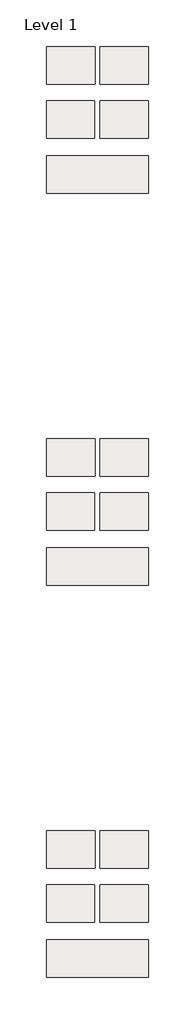
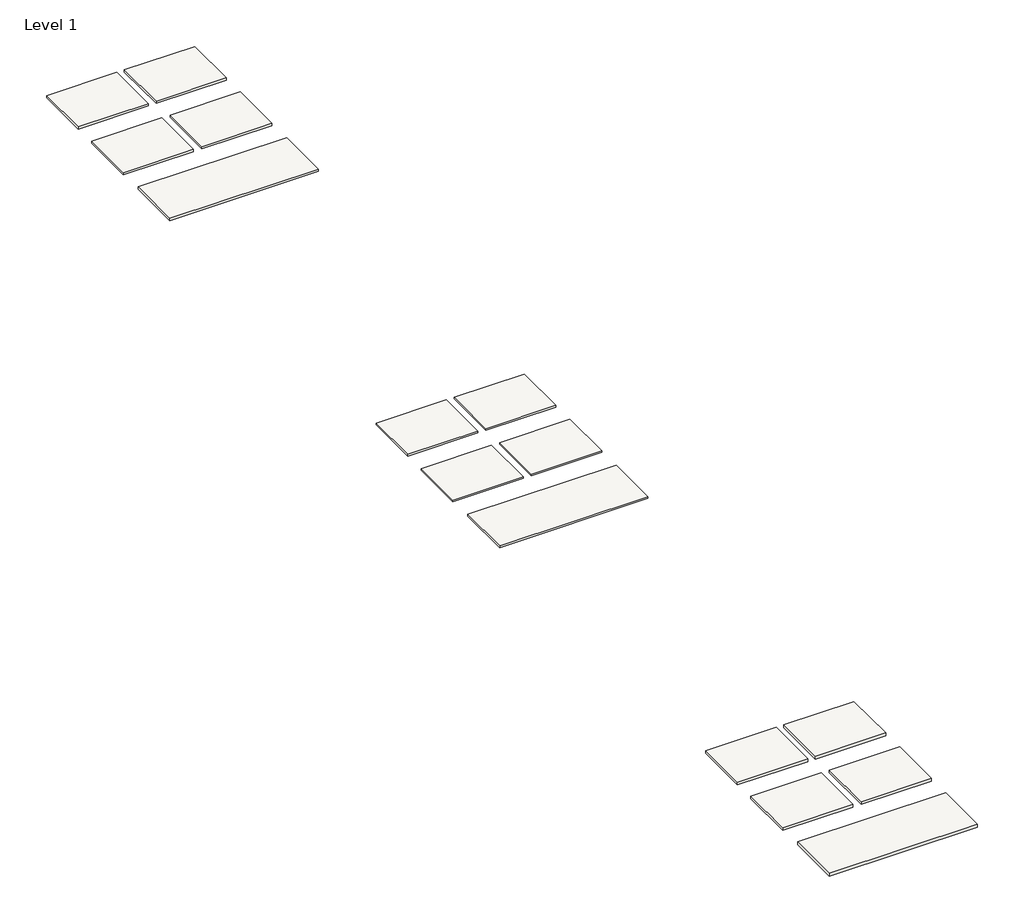
# One storey: 15 slabs.
"""IFC4 building model written with IfcOpenShell, lengths in millimetres."""

import ifcopenshell
import ifcopenshell.guid

model = None  # the IFC model being written
_history = None  # IfcOwnerHistory: only IFC2X3 demands one
_inside = {}  # id of a spatial element -> (the spatial element, [elements in it])
_under = {}  # id of a project, library or spatial element -> (it, [spatial elements below it])
_declared = {}  # id of a project -> (the project, [libraries it declares])
_typed = {}  # id of a type object -> (the type object, [elements of that type])
_made_of = {}  # id of a material, layer set ... -> (it, [elements and type objects made of it])


def new_model(schema):
    """Start an empty IFC model of exactly this schema.

    Asked for "IFC4X3", IfcOpenShell would pick the latest addendum, in which some entities
    have other attributes; the version numbers below select the first issue.
    IFC2X3 requires an IfcOwnerHistory on every rooted entity: one is made here for all.
    """
    global model, _history
    if schema == "IFC4X3":
        model = ifcopenshell.file(schema_version=(4, 3, 0, 0))
    else:
        model = ifcopenshell.file(schema=schema)
    _inside.clear()
    _under.clear()
    _declared.clear()
    _typed.clear()
    _made_of.clear()
    _history = None
    if model.schema == "IFC2X3":
        org = make("IfcOrganization", Name="unknown")
        user = make(
            "IfcPersonAndOrganization",
            ThePerson=make("IfcPerson", FamilyName="unknown"),
            TheOrganization=org,
        )
        app = make(
            "IfcApplication",
            ApplicationDeveloper=org,
            Version="unknown",
            ApplicationFullName="unknown",
            ApplicationIdentifier="unknown",
        )
        _history = make(
            "IfcOwnerHistory",
            OwningUser=user,
            OwningApplication=app,
            ChangeAction="ADDED",
            CreationDate=0,
        )
    return model


def make(cls, **values):
    """One entity of the class cls with the attributes given. An attribute that is None is left unset."""
    return model.create_entity(
        cls, **{name: value for name, value in values.items() if value is not None}
    )


def rooted(cls, **values):
    """An entity with a GlobalId (a new one), such as an element, a storey or a relation."""
    return make(cls, GlobalId=ifcopenshell.guid.new(), OwnerHistory=_history, **values)


def si_unit(unit_type, name, prefix=None):
    """IfcSIUnit, for example si_unit("LENGTHUNIT", "METRE", prefix="MILLI")."""
    return make("IfcSIUnit", UnitType=unit_type, Prefix=prefix, Name=name)


def assignment(units):
    """IfcUnitAssignment: the units of a project."""
    return None if units is None else make("IfcUnitAssignment", Units=units)


def point(xyz):
    """IfcCartesianPoint."""
    return None if xyz is None else make("IfcCartesianPoint", Coordinates=xyz)


def direction(xyz):
    """IfcDirection."""
    return None if xyz is None else make("IfcDirection", DirectionRatios=xyz)


def frame(location, z_axis=None, x_axis=None):
    """IfcAxis2Placement3D, a coordinate frame: its origin and axes. An axis left out is left unset."""
    return make(
        "IfcAxis2Placement3D",
        Location=point(location),
        Axis=direction(z_axis),
        RefDirection=direction(x_axis),
    )


def origin():
    """The frame at (0, 0, 0) with its axes left unset."""
    return frame((0.0, 0.0, 0.0))


def place(relative_to, where):
    """IfcLocalPlacement: puts the frame where relative to a parent placement (None: the world)."""
    return make(
        "IfcLocalPlacement", PlacementRelTo=relative_to, RelativePlacement=where
    )


def context(
    kind, dimensions, precision=None, world=None, true_north=None, identifier=None
):
    """IfcGeometricRepresentationContext, for example the 3D "Model" context."""
    return make(
        "IfcGeometricRepresentationContext",
        ContextIdentifier=identifier,
        ContextType=kind,
        CoordinateSpaceDimension=dimensions,
        Precision=precision,
        WorldCoordinateSystem=world,
        TrueNorth=true_north,
    )


def project(units=None, contexts=None):
    """IfcProject with its units and contexts."""
    return rooted(
        "IfcProject",
        Name="project",
        RepresentationContexts=contexts,
        UnitsInContext=assignment(units),
    )


def spatial(cls, under=None, at=None, **own):
    """A site, building, storey or space (cls), placed at a placement, below another one or the project."""
    s = rooted(cls, ObjectPlacement=at, **own)
    if under is not None:
        _under.setdefault(under.id(), (under, []))[1].append(s)
    return s


def polyline(points):
    """IfcPolyline through the points."""
    return make("IfcPolyline", Points=[point(p) for p in points])


def outline(outer, holes=None, kind="AREA"):
    """IfcArbitraryClosedProfileDef: a profile drawn as a closed curve; with holes, ...WithVoids."""
    if holes is None:
        return make("IfcArbitraryClosedProfileDef", ProfileType=kind, OuterCurve=outer)
    return make(
        "IfcArbitraryProfileDefWithVoids",
        ProfileType=kind,
        OuterCurve=outer,
        InnerCurves=holes,
    )


def extrude(swept, where, along, depth):
    """IfcExtrudedAreaSolid: the profile swept, set in the frame where, extruded along a direction by depth."""
    return make(
        "IfcExtrudedAreaSolid",
        SweptArea=swept,
        Position=where,
        ExtrudedDirection=direction(along),
        Depth=depth,
    )


def shape(context_of_items, identifier, shape_type, items):
    """IfcShapeRepresentation: the items that make up one representation, for example the "Body"."""
    return make(
        "IfcShapeRepresentation",
        ContextOfItems=context_of_items,
        RepresentationIdentifier=identifier,
        RepresentationType=shape_type,
        Items=items,
    )


def made_of(thing, what):
    """Note that an element or type object is made of a material, layer set ...; save() writes the relation."""
    if what is not None:
        _made_of.setdefault(what.id(), (what, []))[1].append(thing)
    return thing


def element(
    cls,
    number,
    at=None,
    inside=None,
    cuts=None,
    type_object=None,
    material=None,
    context=None,
    identifier="Body",
    shape_type=None,
    held_by="IfcProductDefinitionShape",
    body=None,
    shapes=None,
    **own,
):
    """One element of the class cls, such as IfcWall. Its Tag is "e" and its number.

    at: its placement. inside: the storey or other place that contains it. cuts: it is an
    opening in that element (IfcRelVoidsElement). A single representation is given by context,
    identifier, shape_type and body (its items); several are given by shapes. held_by: the class
    of the entity that holds the representations. save() writes the other relations.
    """
    e = rooted(cls, Tag="e%d" % number, ObjectPlacement=at, **own)
    if body is not None:
        shapes = [shape(context, identifier, shape_type, body)]
    if shapes is not None:
        e.Representation = make(held_by, Representations=shapes)
    if inside is not None:
        _inside.setdefault(inside.id(), (inside, []))[1].append(e)
    if cuts is not None:
        rooted(
            "IfcRelVoidsElement", RelatingBuildingElement=cuts, RelatedOpeningElement=e
        )
    if type_object is not None:
        _typed.setdefault(type_object.id(), (type_object, []))[1].append(e)
    return made_of(e, material)


def aggregate(whole, parts):
    """IfcRelAggregates: a whole, such as a stair, and the parts it consists of."""
    return rooted("IfcRelAggregates", RelatingObject=whole, RelatedObjects=parts)


def save(model, path):
    """Write the relations noted so far, then the file.

    IfcRelAggregates (storeys below a building ...), IfcRelContainedInSpatialStructure (elements
    in a storey), IfcRelDefinesByType, IfcRelAssociatesMaterial and IfcRelDeclares: one each for
    every whole, place, type object, material and project.
    """
    for whole, parts in _under.values():
        aggregate(whole, parts)
    for where, things in _inside.values():
        rooted(
            "IfcRelContainedInSpatialStructure",
            RelatedElements=things,
            RelatingStructure=where,
        )
    for kind, things in _typed.values():
        rooted("IfcRelDefinesByType", RelatedObjects=things, RelatingType=kind)
    for what, things in _made_of.values():
        rooted("IfcRelAssociatesMaterial", RelatedObjects=things, RelatingMaterial=what)
    for by, libraries in _declared.values():
        rooted("IfcRelDeclares", RelatingContext=by, RelatedDefinitions=libraries)
    model.write(path)


model = new_model("IFC4")

# Units and contexts
model_context = context("Model", 3, world=origin())
ifc_project = project(units=[si_unit("LENGTHUNIT", "METRE", prefix="MILLI")], contexts=[model_context])

# Site, building, storey
site = spatial("IfcSite", under=ifc_project)
building = spatial("IfcBuilding", under=site)
storey = spatial("IfcBuildingStorey", under=building, Name="Level 1", Elevation=0.0)

# Slabs
placement = place(None, origin())
element("IfcSlab", 1, at=placement, inside=storey, context=model_context, shape_type="SweptSolid", body=[
    extrude(outline(polyline([(-33596.1809993, 9289.154028), (-33596.1809993, 8997.054028), (-33970.8309993, 8997.054028), (-33970.8309993, 9289.154028), (-33596.1809993, 9289.154028)])), frame((0.0, 0.0, -9.525), z_axis=(0.0, 0.0, 1.0), x_axis=(1.0, 0.0, 0.0)), (0.0, 0.0, 1.0), 9.525),
])
element("IfcSlab", 2, at=placement, inside=storey, context=model_context, shape_type="SweptSolid", body=[
    extrude(outline(polyline([(-33180.2559993, 9289.154028), (-33180.2559993, 8997.054028), (-33554.9059993, 8997.054028), (-33554.9059993, 9289.154028), (-33180.2559993, 9289.154028)])), frame((0.0, 0.0, -9.525), z_axis=(0.0, 0.0, 1.0), x_axis=(1.0, 0.0, 0.0)), (0.0, 0.0, 1.0), 9.525),
])
element("IfcSlab", 3, at=placement, inside=storey, context=model_context, shape_type="SweptSolid", body=[
    extrude(outline(polyline([(-33599.2395833, 8867.1830679), (-33599.2395833, 8575.0830679), (-33973.8895833, 8575.0830679), (-33973.8895833, 8867.1830679), (-33599.2395833, 8867.1830679)])), frame((0.0, 0.0, -9.525), z_axis=(0.0, 0.0, 1.0), x_axis=(1.0, 0.0, 0.0)), (0.0, 0.0, 1.0), 9.525),
])
element("IfcSlab", 4, at=placement, inside=storey, context=model_context, shape_type="SweptSolid", body=[
    extrude(outline(polyline([(-33180.1395833, 8867.1830679), (-33180.1395833, 8575.0830679), (-33554.7895833, 8575.0830679), (-33554.7895833, 8867.1830679), (-33180.1395833, 8867.1830679)])), frame((0.0, 0.0, -9.525), z_axis=(0.0, 0.0, 1.0), x_axis=(1.0, 0.0, 0.0)), (0.0, 0.0, 1.0), 9.525),
])
element("IfcSlab", 5, at=placement, inside=storey, context=model_context, shape_type="SweptSolid", body=[
    extrude(outline(polyline([(-33180.3247403, 8439.5619823), (-33180.3247403, 8147.4619823), (-33971.7205072, 8147.4619823), (-33971.7205072, 8439.5619823), (-33180.3247403, 8439.5619823)])), frame((0.0, 0.0, -9.525), z_axis=(0.0, 0.0, 1.0), x_axis=(1.0, 0.0, 0.0)), (0.0, 0.0, 1.0), 9.525),
])
element("IfcSlab", 6, at=placement, inside=storey, context=model_context, shape_type="SweptSolid", body=[
    extrude(outline(polyline([(-33596.1809993, 6241.154028), (-33596.1809993, 5949.054028), (-33970.8309993, 5949.054028), (-33970.8309993, 6241.154028), (-33596.1809993, 6241.154028)])), frame((0.0, 0.0, -15.875), z_axis=(0.0, 0.0, 1.0), x_axis=(1.0, 0.0, 0.0)), (0.0, 0.0, 1.0), 15.875),
])
element("IfcSlab", 7, at=placement, inside=storey, context=model_context, shape_type="SweptSolid", body=[
    extrude(outline(polyline([(-33180.2559993, 6241.154028), (-33180.2559993, 5949.054028), (-33554.9059993, 5949.054028), (-33554.9059993, 6241.154028), (-33180.2559993, 6241.154028)])), frame((0.0, 0.0, -15.875), z_axis=(0.0, 0.0, 1.0), x_axis=(1.0, 0.0, 0.0)), (0.0, 0.0, 1.0), 15.875),
])
element("IfcSlab", 8, at=placement, inside=storey, context=model_context, shape_type="SweptSolid", body=[
    extrude(outline(polyline([(-33599.2395833, 5819.1830679), (-33599.2395833, 5527.0830679), (-33973.8895833, 5527.0830679), (-33973.8895833, 5819.1830679), (-33599.2395833, 5819.1830679)])), frame((0.0, 0.0, -15.875), z_axis=(0.0, 0.0, 1.0), x_axis=(1.0, 0.0, 0.0)), (0.0, 0.0, 1.0), 15.875),
])
element("IfcSlab", 9, at=placement, inside=storey, context=model_context, shape_type="SweptSolid", body=[
    extrude(outline(polyline([(-33180.1395833, 5819.1830679), (-33180.1395833, 5527.0830679), (-33554.7895833, 5527.0830679), (-33554.7895833, 5819.1830679), (-33180.1395833, 5819.1830679)])), frame((0.0, 0.0, -15.875), z_axis=(0.0, 0.0, 1.0), x_axis=(1.0, 0.0, 0.0)), (0.0, 0.0, 1.0), 15.875),
])
element("IfcSlab", 10, at=placement, inside=storey, context=model_context, shape_type="SweptSolid", body=[
    extrude(outline(polyline([(-33180.3247403, 5391.5619823), (-33180.3247403, 5099.4619823), (-33971.7205072, 5099.4619823), (-33971.7205072, 5391.5619823), (-33180.3247403, 5391.5619823)])), frame((0.0, 0.0, -15.875), z_axis=(0.0, 0.0, 1.0), x_axis=(1.0, 0.0, 0.0)), (0.0, 0.0, 1.0), 15.875),
])
element("IfcSlab", 11, at=placement, inside=storey, context=model_context, shape_type="SweptSolid", body=[
    extrude(outline(polyline([(-33596.1809993, 12337.154028), (-33596.1809993, 12045.054028), (-33970.8309993, 12045.054028), (-33970.8309993, 12337.154028), (-33596.1809993, 12337.154028)])), frame((0.0, 0.0, -12.7), z_axis=(0.0, 0.0, 1.0), x_axis=(1.0, 0.0, 0.0)), (0.0, 0.0, 1.0), 12.7),
])
element("IfcSlab", 12, at=placement, inside=storey, context=model_context, shape_type="SweptSolid", body=[
    extrude(outline(polyline([(-33180.2559993, 12337.154028), (-33180.2559993, 12045.054028), (-33554.9059993, 12045.054028), (-33554.9059993, 12337.154028), (-33180.2559993, 12337.154028)])), frame((0.0, 0.0, -12.7), z_axis=(0.0, 0.0, 1.0), x_axis=(1.0, 0.0, 0.0)), (0.0, 0.0, 1.0), 12.7),
])
element("IfcSlab", 13, at=placement, inside=storey, context=model_context, shape_type="SweptSolid", body=[
    extrude(outline(polyline([(-33599.2395833, 11915.1830679), (-33599.2395833, 11623.0830679), (-33973.8895833, 11623.0830679), (-33973.8895833, 11915.1830679), (-33599.2395833, 11915.1830679)])), frame((0.0, 0.0, -12.7), z_axis=(0.0, 0.0, 1.0), x_axis=(1.0, 0.0, 0.0)), (0.0, 0.0, 1.0), 12.7),
])
element("IfcSlab", 14, at=placement, inside=storey, context=model_context, shape_type="SweptSolid", body=[
    extrude(outline(polyline([(-33180.1395833, 11915.1830679), (-33180.1395833, 11623.0830679), (-33554.7895833, 11623.0830679), (-33554.7895833, 11915.1830679), (-33180.1395833, 11915.1830679)])), frame((0.0, 0.0, -12.7), z_axis=(0.0, 0.0, 1.0), x_axis=(1.0, 0.0, 0.0)), (0.0, 0.0, 1.0), 12.7),
])
element("IfcSlab", 15, at=placement, inside=storey, context=model_context, shape_type="SweptSolid", body=[
    extrude(outline(polyline([(-33180.3247403, 11487.5619823), (-33180.3247403, 11195.4619823), (-33971.7205072, 11195.4619823), (-33971.7205072, 11487.5619823), (-33180.3247403, 11487.5619823)])), frame((0.0, 0.0, -12.7), z_axis=(0.0, 0.0, 1.0), x_axis=(1.0, 0.0, 0.0)), (0.0, 0.0, 1.0), 12.7),
])

save(model, "model.ifc")
